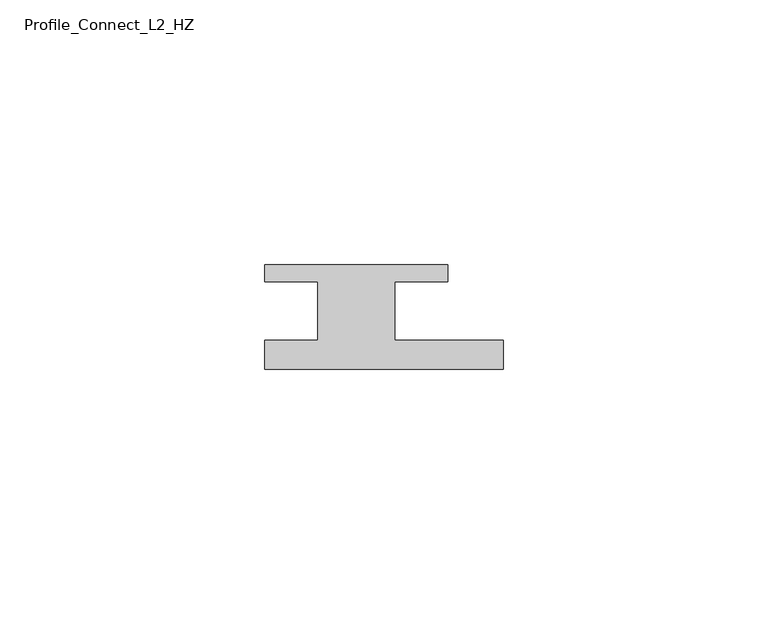
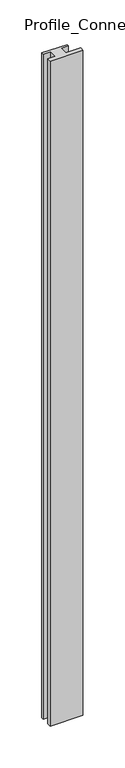
"""IFC4 building model written with IfcOpenShell, lengths in millimetres: member geometry, Profile_Connect_L2_HZ."""

from ifc_helpers import new_model, si_unit, frame, origin, place, context, project, spatial, polyline, outline, extrude, source, transform, mapped, element, save


def profile_connect_l2_hz_e97213f7(model_context):
    return source(origin(), model_context, "Body", "SweptSolid", [
        extrude(outline(polyline([(26.6, -5.5), (26.6, -11.0), (-18.4, -11.0), (-18.4, -5.5), (-8.4, -5.5), (-8.4, 5.5), (-18.4, 5.5), (-18.4, 8.7), (16.1, 8.7), (16.1, 5.5), (6.1, 5.5), (6.1, -5.5), (26.6, -5.5)])), frame((0.0, 0.0, -966.8), z_axis=(0.0, 0.0, 1.0), x_axis=(1.0, 0.0, 0.0)), (0.0, 0.0, 1.0), 966.8),
    ])


if __name__ == "__main__":
    model = new_model("IFC4")
    model_context = context("Model", 3, world=origin())
    ifc_project = project(units=[si_unit("LENGTHUNIT", "METRE", prefix="MILLI")], contexts=[model_context])
    site = spatial("IfcSite", under=ifc_project)
    building = spatial("IfcBuilding", under=site)
    placement = place(None, origin())
    profile_connect_l2_hz_shape = profile_connect_l2_hz_e97213f7(model_context)
    element("IfcMember", 1, ObjectType="Profile_Connect_L2_HZ", at=placement, inside=building, context=model_context, shape_type="MappedRepresentation", body=[
        mapped(profile_connect_l2_hz_shape, transform((0.0, 0.0, 0.0), x_axis=(1.0, 0.0, 0.0), y_axis=(0.0, 1.0, 0.0), z_axis=(0.0, 0.0, 1.0))),
    ])
    save(model, "model.ifc")
